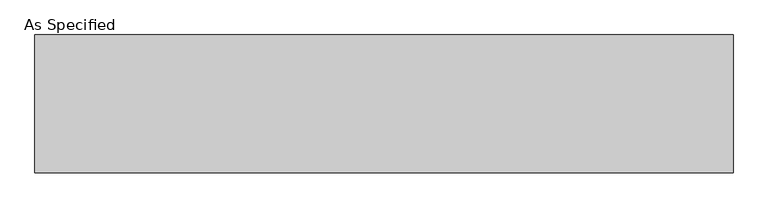
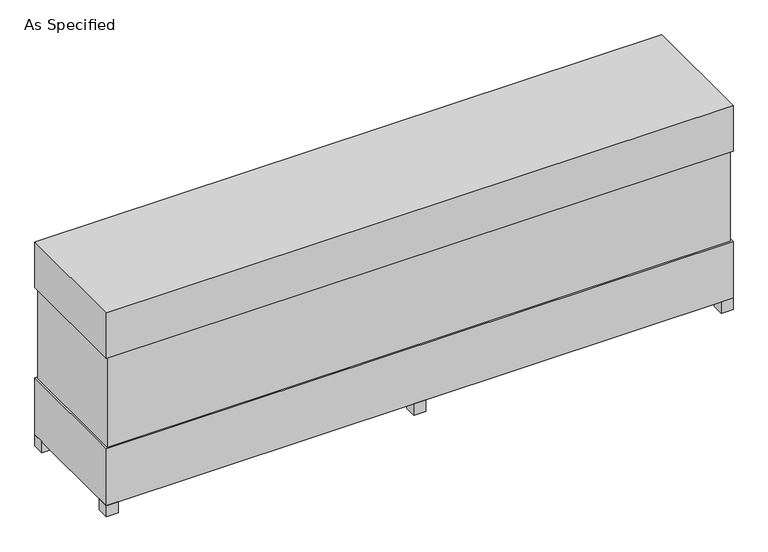
"""IFC4 building model written with IfcOpenShell, lengths in millimetres: proxy geometry, As Specified."""

from ifc_helpers import new_model, si_unit, frame, origin, origin_with_axes, place, context, project, spatial, polyline, outline, extrude, source, transform, mapped, element, save


def as_specified_5ae5ab12(model_context):
    return source(origin(), model_context, "Body", "SweptSolid", [
        extrude(outline(polyline([(1982.7875, 382.5875), (1982.7875, -382.5875), (-1982.7875, -382.5875), (-1982.7875, 382.5875), (1982.7875, 382.5875)])), frame((0.0, 0.0, 457.2), z_axis=(0.0, 0.0, 1.0), x_axis=(1.0, 0.0, 0.0)), (0.0, 0.0, 1.0), 609.6),
        extrude(outline(polyline([(1993.9, 393.7), (1993.9, -393.7), (-1993.9, -393.7), (-1993.9, 393.7), (1993.9, 393.7)])), frame((0.0, 0.0, 1066.8), z_axis=(0.0, 0.0, 1.0), x_axis=(1.0, 0.0, 0.0)), (0.0, 0.0, 1.0), 304.8),
        extrude(outline(polyline([(1879.6, 177.8), (1879.6, 101.6), (1803.4, 101.6), (1803.4, 177.8), (1879.6, 177.8)])), frame((0.0, 0.0, 50.8), z_axis=(0.0, 0.0, 1.0), x_axis=(1.0, 0.0, 0.0)), (0.0, 0.0, 1.0), 25.4),
        extrude(outline(polyline([(1879.6, -101.6), (1879.6, -177.8), (1803.4, -177.8), (1803.4, -101.6), (1879.6, -101.6)])), frame((0.0, 0.0, 50.8), z_axis=(0.0, 0.0, 1.0), x_axis=(1.0, 0.0, 0.0)), (0.0, 0.0, 1.0), 25.4),
        extrude(outline(polyline([(-1917.7, 393.7), (-1917.7, 317.5), (-1993.9, 317.5), (-1993.9, 393.7), (-1917.7, 393.7)])), origin_with_axes(), (0.0, 0.0, 1.0), 76.2),
        extrude(outline(polyline([(1993.9, 393.7), (1993.9, 317.5), (1917.7, 317.5), (1917.7, 393.7), (1993.9, 393.7)])), origin_with_axes(), (0.0, 0.0, 1.0), 76.2),
        extrude(outline(polyline([(1993.9, -317.5), (1993.9, -393.7), (1917.7, -393.7), (1917.7, -317.5), (1993.9, -317.5)])), origin_with_axes(), (0.0, 0.0, 1.0), 76.2),
        extrude(outline(polyline([(-1917.7, -317.5), (-1917.7, -393.7), (-1993.9, -393.7), (-1993.9, -317.5), (-1917.7, -317.5)])), origin_with_axes(), (0.0, 0.0, 1.0), 76.2),
        extrude(outline(polyline([(38.1, 393.7), (38.1, 317.5), (-38.1, 317.5), (-38.1, 393.7), (38.1, 393.7)])), origin_with_axes(), (0.0, 0.0, 1.0), 76.2),
        extrude(outline(polyline([(38.1, -317.5), (38.1, -393.7), (-38.1, -393.7), (-38.1, -317.5), (38.1, -317.5)])), origin_with_axes(), (0.0, 0.0, 1.0), 76.2),
        extrude(outline(polyline([(1993.9, 393.7), (1993.9, -393.7), (-1993.9, -393.7), (-1993.9, 393.7), (1993.9, 393.7)])), frame((0.0, 0.0, 76.2), z_axis=(0.0, 0.0, 1.0), x_axis=(1.0, 0.0, 0.0)), (0.0, 0.0, 1.0), 381.0),
    ])


if __name__ == "__main__":
    model = new_model("IFC4")
    model_context = context("Model", 3, world=origin())
    ifc_project = project(units=[si_unit("LENGTHUNIT", "METRE", prefix="MILLI")], contexts=[model_context])
    site = spatial("IfcSite", under=ifc_project)
    building = spatial("IfcBuilding", under=site)
    placement = place(None, origin())
    as_specified_shape = as_specified_5ae5ab12(model_context)
    element("IfcBuildingElementProxy", 1, Name="As Specified", ObjectType="As Specified", at=placement, inside=building, context=model_context, shape_type="MappedRepresentation", body=[
        mapped(as_specified_shape, transform((0.0, 0.0, 0.0), x_axis=(1.0, 0.0, 0.0), y_axis=(0.0, 1.0, 0.0), z_axis=(0.0, 0.0, 1.0))),
    ])
    save(model, "model.ifc")
